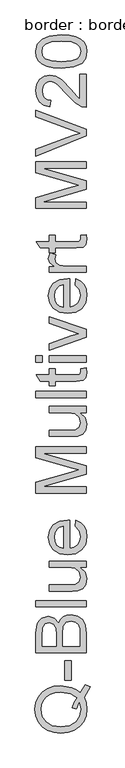
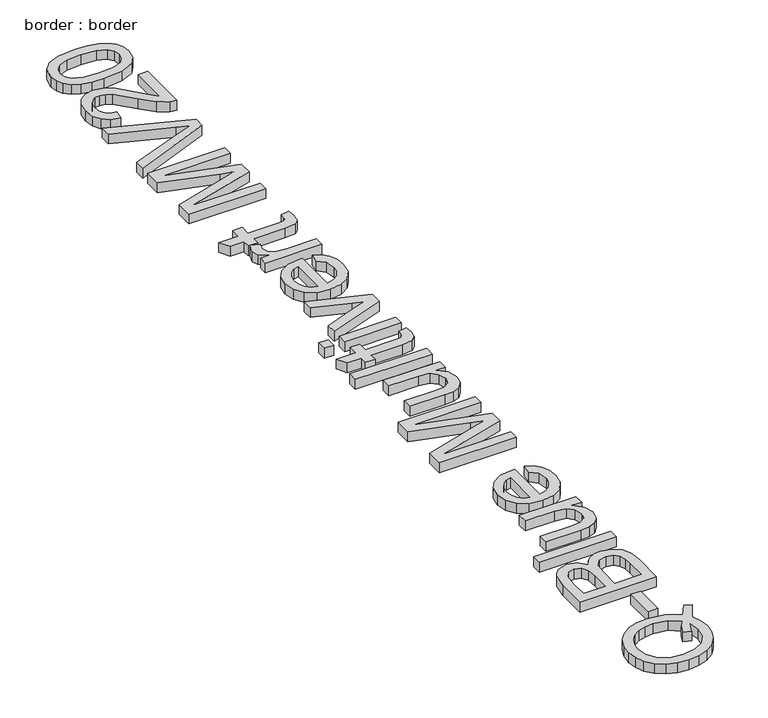
"""IFC4 building model written with IfcOpenShell, lengths in millimetres: proxy geometry, border : border."""

from ifc_helpers import new_model, si_unit, origin, origin_with_axes, place, context, project, spatial, polyline, outline, extrude, source, transform, mapped, element, save


def border_border_efcd7c38(model_context):
    return source(origin(), model_context, "Body", "SweptSolid", [
        extrude(outline(polyline([(-517.7043269, 597.8725962), (-502.3076923, 620.7692308), (-488.7860577, 615.7932692), (-506.0576923, 585.3966346), (-499.7836538, 568.3143029), (-497.6923077, 549.5192308), (-500.1036659, 530.6340144), (-507.3377404, 513.5697115), (-518.9393029, 499.2773437), (-534.453125, 488.7079327), (-553.0273438, 482.1769832), (-573.8100962, 480.0), (-594.6108774, 482.172476), (-613.4555288, 488.6899038), (-629.1902043, 499.21875), (-640.6610577, 513.4254808), (-647.6652644, 530.4266827), (-650.0, 549.3389423), (-647.6111779, 568.3999399), (-640.4447115, 585.4867788), (-628.9783654, 599.6709736), (-613.6899038, 610.0240385), (-595.390625, 616.3521635), (-574.8918269, 618.4615385), (-542.6201923, 613.3413462), (-529.233774, 606.9140625), (-517.7043269, 597.8725962)]), holes=[polyline([(-542.2596154, 554.6033654), (-536.391226, 570.1262019), (-528.2331731, 582.65625), (-547.2716346, 595.6640625), (-573.9543269, 600.0), (-590.2028245, 598.4675481), (-604.2608173, 593.8701923), (-615.7722356, 586.320613), (-624.3810096, 575.9314904), (-629.7490986, 563.4059495), (-631.5384615, 549.4471154), (-627.9191707, 529.3269231), (-617.0612981, 512.9567308), (-599.0189303, 502.0853365), (-573.8461538, 498.4615385), (-549.2142428, 502.0447716), (-531.0637019, 512.7944712), (-519.8813101, 529.1150841), (-516.1538462, 549.4110577), (-519.9399038, 569.2788462), (-528.125, 549.84375), (-542.2596154, 554.6033654)])]), origin_with_axes(), (0.0, 0.0, 1.0), 20.0),
        extrude(outline(polyline([(-543.8461538, 634.6153846), (-562.3076923, 634.6153846), (-562.3076923, 692.3076923), (-543.8461538, 692.3076923), (-543.8461538, 634.6153846)])), origin_with_axes(), (0.0, 0.0, 1.0), 20.0),
        extrude(outline(polyline([(-500.0, 715.3846154), (-647.6923077, 715.3846154), (-647.6923077, 771.7427885), (-643.3473558, 799.3449519), (-637.8350361, 808.6207933), (-629.9879808, 815.6430288), (-611.09375, 821.5384615), (-593.8401442, 816.5805288), (-580.7692308, 801.5985577), (-575.3064904, 812.0597957), (-566.9951923, 819.7896635), (-556.3852163, 824.5628005), (-544.0264423, 826.1538462), (-524.1766827, 821.8088942), (-510.0420673, 811.0456731), (-502.5420673, 794.9819712), (-500.0, 771.3100962), (-500.0, 715.3846154)]), holes=[polyline([(-587.6923077, 733.8461538), (-587.6923077, 767.5600962), (-589.2788462, 787.2475962), (-596.1117788, 799.0925481), (-608.1370192, 803.0769231), (-620.1802885, 799.3629808), (-627.3016827, 788.7259615), (-629.2307692, 765.0), (-629.2307692, 733.8461538), (-587.6923077, 733.8461538)]), polyline([(-518.4615385, 733.8461538), (-518.4615385, 771.7067308), (-519.1826923, 785.4086538), (-523.203125, 797.0012019), (-531.40625, 804.6814904), (-543.8461538, 807.6923077), (-558.1971154, 804.1586538), (-566.7608173, 792.7103365), (-569.2307692, 769.9038462), (-569.2307692, 733.8461538), (-518.4615385, 733.8461538)])]), origin_with_axes(), (0.0, 0.0, 1.0), 20.0),
        extrude(outline(polyline([(-500.0, 849.2307692), (-647.6923077, 849.2307692), (-647.6923077, 867.6923077), (-500.0, 867.6923077), (-500.0, 849.2307692)])), origin_with_axes(), (0.0, 0.0, 1.0), 20.0),
        extrude(outline(polyline([(-500.0, 964.6153846), (-518.6418269, 964.6153846), (-502.9296875, 950.15625), (-497.6923077, 931.2980769), (-501.3701923, 913.9362981), (-510.6009615, 901.9651442), (-524.1947115, 896.4663462), (-541.3581731, 895.3846154), (-608.4615385, 895.3846154), (-608.4615385, 913.8461538), (-550.0480769, 913.8461538), (-531.2259615, 914.9639423), (-520.1742788, 922.265625), (-516.1538462, 936.0216346), (-520.2644231, 951.4362981), (-531.4603365, 961.6225962), (-552.03125, 964.6153846), (-608.4615385, 964.6153846), (-608.4615385, 983.0769231), (-500.0, 983.0769231), (-500.0, 964.6153846)])), origin_with_axes(), (0.0, 0.0, 1.0), 20.0),
        extrude(outline(polyline([(-532.3076923, 1084.3990385), (-530.0, 1102.5), (-516.3611779, 1095.9780649), (-506.1658654, 1085.5709135), (-499.8106971, 1071.5129207), (-497.6923077, 1054.0384615), (-501.3476563, 1032.3768029), (-512.3137019, 1015.7091346), (-529.8783053, 1005.0811298), (-553.3293269, 1001.5384615), (-577.5691106, 1005.1171875), (-595.6971154, 1015.8533654), (-607.0012019, 1032.2956731), (-610.7692308, 1052.9927885), (-607.0102163, 1073.0453726), (-595.7331731, 1089.0685096), (-577.641226, 1099.5748197), (-553.4375, 1103.0769231), (-548.4615385, 1102.96875), (-548.4615385, 1020.0), (-534.6424279, 1023.195613), (-524.4831731, 1030.6189904), (-518.2361779, 1041.3326322), (-516.1538462, 1054.3990385), (-520.0120192, 1072.5), (-532.3076923, 1084.3990385)]), holes=[polyline([(-566.9230769, 1020.0), (-566.9230769, 1084.6153846), (-576.6766827, 1082.1183894), (-583.6538462, 1077.2235577), (-590.1442308, 1066.4603365), (-592.3076923, 1052.9206731), (-590.5814303, 1040.476262), (-585.4026442, 1030.1862981), (-577.3302284, 1023.0333534), (-566.9230769, 1020.0)])]), origin_with_axes(), (0.0, 0.0, 1.0), 20.0),
        extrude(outline(polyline([(-500.0, 1181.5384615), (-647.6923077, 1181.5384615), (-647.6923077, 1213.3052885), (-543.59375, 1243.5216346), (-521.8509615, 1249.6153846), (-545.3966346, 1256.2139423), (-647.6923077, 1285.9254808), (-647.6923077, 1317.6923077), (-500.0, 1317.6923077), (-500.0, 1299.2307692), (-629.2307692, 1299.2307692), (-500.0, 1262.1274038), (-500.0, 1237.1033654), (-629.2307692, 1200.0), (-500.0, 1200.0), (-500.0, 1181.5384615)])), origin_with_axes(), (0.0, 0.0, 1.0), 20.0),
        extrude(outline(polyline([(-500.0, 1416.9230769), (-518.6418269, 1416.9230769), (-502.9296875, 1402.4639423), (-497.6923077, 1383.6057692), (-501.3701923, 1366.2439904), (-510.6009615, 1354.2728365), (-524.1947115, 1348.7740385), (-541.3581731, 1347.6923077), (-608.4615385, 1347.6923077), (-608.4615385, 1366.1538462), (-550.0480769, 1366.1538462), (-531.2259615, 1367.2716346), (-520.1742788, 1374.5733173), (-516.1538462, 1388.3293269), (-520.2644231, 1403.7439904), (-531.4603365, 1413.9302885), (-552.03125, 1416.9230769), (-608.4615385, 1416.9230769), (-608.4615385, 1435.3846154), (-500.0, 1435.3846154), (-500.0, 1416.9230769)])), origin_with_axes(), (0.0, 0.0, 1.0), 20.0),
        extrude(outline(polyline([(-500.0, 1460.7692308), (-647.6923077, 1460.7692308), (-647.6923077, 1479.2307692), (-500.0, 1479.2307692), (-500.0, 1460.7692308)])), origin_with_axes(), (0.0, 0.0, 1.0), 20.0),
        extrude(outline(polyline([(-515.3966346, 1546.1538462), (-499.4591346, 1548.4615385), (-497.6923077, 1534.6514423), (-500.7572115, 1519.1826923), (-508.7980769, 1511.4663462), (-529.7475962, 1509.2307692), (-590.0, 1509.2307692), (-590.0, 1495.3846154), (-608.4615385, 1495.3846154), (-608.4615385, 1509.2307692), (-634.8197115, 1509.2307692), (-645.6730769, 1527.6923077), (-608.4615385, 1527.6923077), (-608.4615385, 1546.1538462), (-590.0, 1546.1538462), (-590.0, 1527.6923077), (-530.2884615, 1527.6923077), (-520.7692308, 1528.6658654), (-517.3978365, 1531.8209135), (-516.1538462, 1538.1129808), (-515.3966346, 1546.1538462)])), origin_with_axes(), (0.0, 0.0, 1.0), 20.0),
        extrude(outline(polyline([(-500.0, 1564.6153846), (-608.4615385, 1564.6153846), (-608.4615385, 1583.0769231), (-500.0, 1583.0769231), (-500.0, 1564.6153846)])), origin_with_axes(), (0.0, 0.0, 1.0), 20.0),
        extrude(outline(polyline([(-629.2307692, 1564.6153846), (-647.6923077, 1564.6153846), (-647.6923077, 1583.0769231), (-629.2307692, 1583.0769231), (-629.2307692, 1564.6153846)])), origin_with_axes(), (0.0, 0.0, 1.0), 20.0),
        extrude(outline(polyline([(-500.0, 1637.3798077), (-608.4615385, 1599.2307692), (-608.4615385, 1618.7740385), (-543.4855769, 1641.8870192), (-521.6346154, 1648.8461538), (-542.2596154, 1655.6610577), (-608.4615385, 1678.9182692), (-608.4615385, 1698.4615385), (-500.0, 1660.78125), (-500.0, 1637.3798077)])), origin_with_axes(), (0.0, 0.0, 1.0), 20.0),
        extrude(outline(polyline([(-532.3076923, 1790.5528846), (-530.0, 1808.6538462), (-516.3611779, 1802.1319111), (-506.1658654, 1791.7247596), (-499.8106971, 1777.6667668), (-497.6923077, 1760.1923077), (-501.3476563, 1738.530649), (-512.3137019, 1721.8629808), (-529.8783053, 1711.234976), (-553.3293269, 1707.6923077), (-577.5691106, 1711.2710337), (-595.6971154, 1722.0072115), (-607.0012019, 1738.4495192), (-610.7692308, 1759.1466346), (-607.0102163, 1779.1992187), (-595.7331731, 1795.2223558), (-577.641226, 1805.7286659), (-553.4375, 1809.2307692), (-548.4615385, 1809.1225962), (-548.4615385, 1726.1538462), (-534.6424279, 1729.3494591), (-524.4831731, 1736.7728365), (-518.2361779, 1747.4864784), (-516.1538462, 1760.5528846), (-520.0120192, 1778.6538462), (-532.3076923, 1790.5528846)]), holes=[polyline([(-566.9230769, 1726.1538462), (-566.9230769, 1790.7692308), (-576.6766827, 1788.2722356), (-583.6538462, 1783.3774038), (-590.1442308, 1772.6141827), (-592.3076923, 1759.0745192), (-590.5814303, 1746.6301082), (-585.4026442, 1736.3401442), (-577.3302284, 1729.1871995), (-566.9230769, 1726.1538462)])]), origin_with_axes(), (0.0, 0.0, 1.0), 20.0),
        extrude(outline(polyline([(-500.0, 1827.6923077), (-608.4615385, 1827.6923077), (-608.4615385, 1843.8461538), (-592.4158654, 1843.8461538), (-607.1995192, 1855.3125), (-610.7692308, 1866.8509615), (-605.0721154, 1885.3846154), (-588.5216346, 1879.21875), (-592.3076923, 1866.2379808), (-588.6658654, 1855.7992788), (-578.5697115, 1849.1466346), (-557.0072115, 1846.1538462), (-500.0, 1846.1538462), (-500.0, 1827.6923077)])), origin_with_axes(), (0.0, 0.0, 1.0), 20.0),
        extrude(outline(polyline([(-515.3966346, 1936.1538462), (-499.4591346, 1938.4615385), (-497.6923077, 1924.6514423), (-500.7572115, 1909.1826923), (-508.7980769, 1901.4663462), (-529.7475962, 1899.2307692), (-590.0, 1899.2307692), (-590.0, 1885.3846154), (-608.4615385, 1885.3846154), (-608.4615385, 1899.2307692), (-634.8197115, 1899.2307692), (-645.6730769, 1917.6923077), (-608.4615385, 1917.6923077), (-608.4615385, 1936.1538462), (-590.0, 1936.1538462), (-590.0, 1917.6923077), (-530.2884615, 1917.6923077), (-520.7692308, 1918.6658654), (-517.3978365, 1921.8209135), (-516.1538462, 1928.1129808), (-515.3966346, 1936.1538462)])), origin_with_axes(), (0.0, 0.0, 1.0), 20.0),
        extrude(outline(polyline([(-500.0, 2014.6153846), (-647.6923077, 2014.6153846), (-647.6923077, 2046.3822115), (-543.59375, 2076.5985577), (-521.8509615, 2082.6923077), (-545.3966346, 2089.2908654), (-647.6923077, 2119.0024038), (-647.6923077, 2150.7692308), (-500.0, 2150.7692308), (-500.0, 2132.3076923), (-629.2307692, 2132.3076923), (-500.0, 2095.2043269), (-500.0, 2070.1802885), (-629.2307692, 2033.0769231), (-500.0, 2033.0769231), (-500.0, 2014.6153846)])), origin_with_axes(), (0.0, 0.0, 1.0), 20.0),
        extrude(outline(polyline([(-500.0, 2226.7067308), (-647.6923077, 2167.9326923), (-647.6923077, 2187.6923077), (-541.2860577, 2227.03125), (-517.3076923, 2235.0), (-541.2860577, 2242.8605769), (-647.6923077, 2282.3076923), (-647.6923077, 2302.0673077), (-500.0, 2245.78125), (-500.0, 2226.7067308)])), origin_with_axes(), (0.0, 0.0, 1.0), 20.0),
        extrude(outline(polyline([(-518.4615385, 2406.9230769), (-500.0, 2406.9230769), (-500.0, 2310.0), (-512.7283654, 2311.9831731), (-532.3257212, 2323.1971154), (-553.7259615, 2346.3100962), (-584.4831731, 2378.1850962), (-595.0841346, 2384.1616587), (-605.3966346, 2386.1538462), (-614.6409255, 2384.2743389), (-622.3257212, 2378.6358173), (-627.5045072, 2369.9684495), (-629.2307692, 2359.0024038), (-627.5450721, 2347.4864784), (-622.4879808, 2338.5396635), (-614.4561298, 2332.7659255), (-603.8461538, 2330.7692308), (-606.1538462, 2312.3076923), (-624.0114183, 2316.7833534), (-637.0552885, 2326.4603365), (-645.0330529, 2340.8338341), (-647.6923077, 2359.3990385), (-644.7355769, 2378.0994591), (-635.8653846, 2392.4459135), (-622.6141827, 2401.5730168), (-606.5144231, 2404.6153846), (-589.0084135, 2401.3341346), (-570.9074519, 2390.4266827), (-545.6129808, 2363.9783654), (-527.8545673, 2342.7403846), (-518.4615385, 2334.4110577), (-518.4615385, 2406.9230769)])), origin_with_axes(), (0.0, 0.0, 1.0), 20.0),
        extrude(outline(polyline([(-572.65625, 2425.3846154), (-596.2965745, 2426.7412861), (-615.1502404, 2430.8112981), (-629.5057091, 2437.5540865), (-639.6514423, 2446.9290865), (-645.6820913, 2459.0039062), (-647.6923077, 2473.8461538), (-642.9326923, 2495.4086538), (-629.2127404, 2510.3004808), (-607.3617788, 2518.9543269), (-572.65625, 2522.3076923), (-549.1511418, 2520.9645433), (-530.3425481, 2516.9350962), (-515.9735577, 2510.2328726), (-505.7872596, 2500.8713942), (-499.7160457, 2488.7695312), (-497.6923077, 2473.8461538), (-501.2079327, 2454.6634615), (-511.7548077, 2440.0961538), (-536.733774, 2429.0625), (-572.65625, 2425.3846154)]), holes=[polyline([(-572.6923077, 2443.8461538), (-543.6523438, 2446.0096154), (-526.8449519, 2452.5), (-518.8266226, 2462.1634615), (-516.1538462, 2473.8461538), (-518.835637, 2485.5288462), (-526.8810096, 2495.1923077), (-543.6974159, 2501.6826923), (-572.6923077, 2503.8461538), (-601.078726, 2501.7548077), (-618.0168269, 2495.4807692), (-626.4272837, 2485.8353365), (-629.2307692, 2473.6298077), (-626.7608173, 2462.0733173), (-619.3509615, 2452.7884615), (-601.3581731, 2446.0817308), (-572.6923077, 2443.8461538)])]), origin_with_axes(), (0.0, 0.0, 1.0), 20.0),
    ])


if __name__ == "__main__":
    model = new_model("IFC4")
    model_context = context("Model", 3, world=origin())
    ifc_project = project(units=[si_unit("LENGTHUNIT", "METRE", prefix="MILLI")], contexts=[model_context])
    site = spatial("IfcSite", under=ifc_project)
    building = spatial("IfcBuilding", under=site)
    placement = place(None, origin())
    border_border_shape = border_border_efcd7c38(model_context)
    element("IfcBuildingElementProxy", 1, Name="border : border", ObjectType="border : border", at=placement, inside=building, context=model_context, shape_type="MappedRepresentation", body=[
        mapped(border_border_shape, transform((0.0, 0.0, 0.0), x_axis=(1.0, 0.0, 0.0), y_axis=(0.0, 1.0, 0.0), z_axis=(0.0, 0.0, 1.0))),
    ])
    save(model, "model.ifc")
